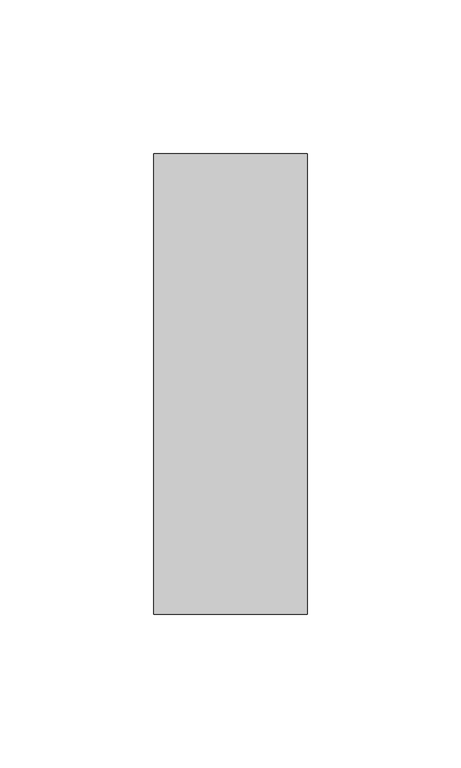
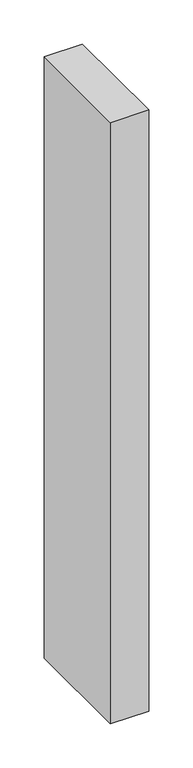
"""IFC4 building model written with IfcOpenShell, lengths in millimetres: member geometry."""

from ifc_helpers import new_model, si_unit, frame, origin, place, context, project, spatial, polyline, outline, extrude, source, transform, mapped, element, save


def member_111bacfa(model_context):
    return source(origin(), model_context, "Body", "SweptSolid", [
        extrude(outline(polyline([(0.0, 75.0), (0.0, -75.0), (-50.0, -75.0), (-50.0, 75.0), (0.0, 75.0)])), frame((0.0, 0.0, -831.8168429), z_axis=(0.0, 0.0, 1.0), x_axis=(1.0, 0.0, 0.0)), (0.0, 0.0, 1.0), 831.8168429),
    ])


if __name__ == "__main__":
    model = new_model("IFC4")
    model_context = context("Model", 3, world=origin())
    ifc_project = project(units=[si_unit("LENGTHUNIT", "METRE", prefix="MILLI")], contexts=[model_context])
    site = spatial("IfcSite", under=ifc_project)
    building = spatial("IfcBuilding", under=site)
    placement = place(None, origin())
    member_shape = member_111bacfa(model_context)
    element("IfcMember", 1, at=placement, inside=building, context=model_context, shape_type="MappedRepresentation", body=[
        mapped(member_shape, transform((0.0, 0.0, 0.0), x_axis=(1.0, 0.0, 0.0), y_axis=(0.0, 1.0, 0.0), z_axis=(0.0, 0.0, 1.0))),
    ])
    save(model, "model.ifc")
